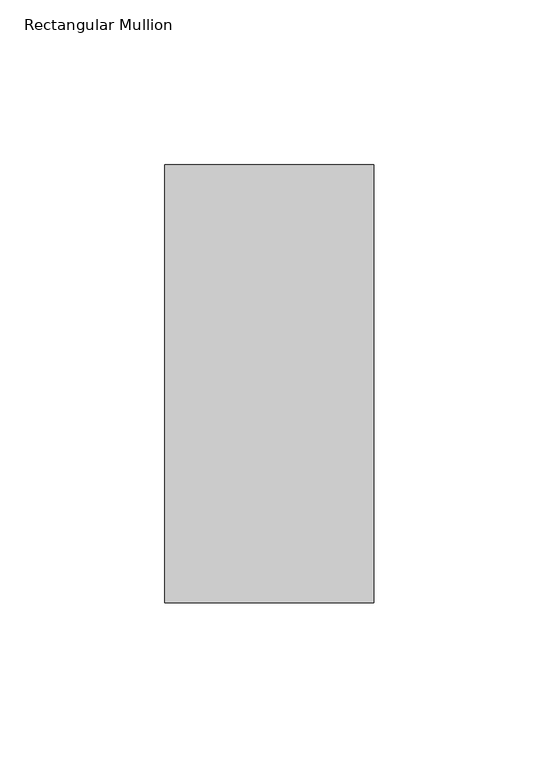
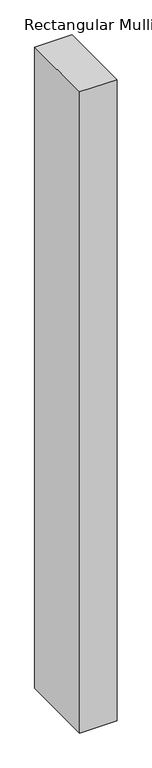
"""IFC4 building model written with IfcOpenShell, lengths in millimetres: member geometry, Rectangular Mullion."""

from ifc_helpers import new_model, si_unit, frame, origin, place, context, project, spatial, polyline, outline, extrude, source, transform, mapped, element, save


def rectangular_mullion_263213b3(model_context):
    return source(origin(), model_context, "Body", "SweptSolid", [
        extrude(outline(polyline([(-31.75, 190.0936), (31.75, 190.0936), (31.75, 57.15), (-31.75, 57.15), (-31.75, 190.0936)])), frame((0.0, 0.0, -1155.6999995), z_axis=(0.0, 0.0, 1.0), x_axis=(1.0, 0.0, 0.0)), (0.0, 0.0, 1.0), 1155.6999995),
    ])


if __name__ == "__main__":
    model = new_model("IFC4")
    model_context = context("Model", 3, world=origin())
    ifc_project = project(units=[si_unit("LENGTHUNIT", "METRE", prefix="MILLI")], contexts=[model_context])
    site = spatial("IfcSite", under=ifc_project)
    building = spatial("IfcBuilding", under=site)
    placement = place(None, origin())
    rectangular_mullion_shape = rectangular_mullion_263213b3(model_context)
    element("IfcMember", 1, ObjectType="Rectangular Mullion", at=placement, inside=building, context=model_context, shape_type="MappedRepresentation", body=[
        mapped(rectangular_mullion_shape, transform((0.0, 0.0, 0.0), x_axis=(1.0, 0.0, 0.0), y_axis=(0.0, 1.0, 0.0), z_axis=(0.0, 0.0, 1.0))),
    ])
    save(model, "model.ifc")
